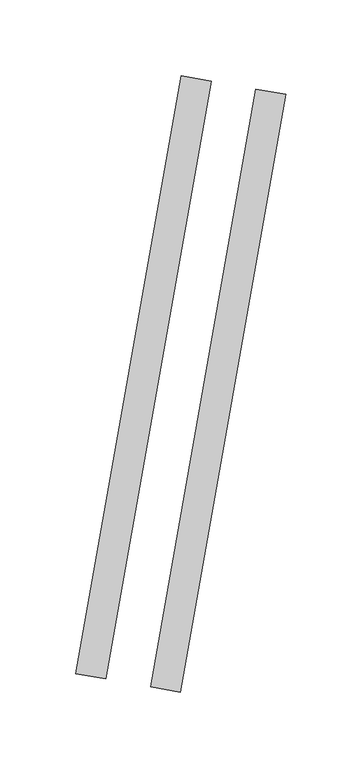
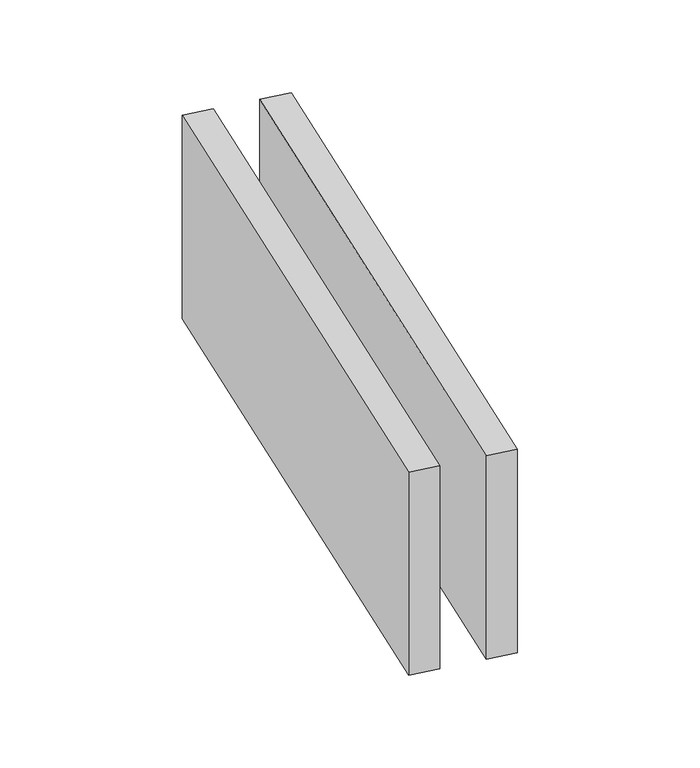
"""IFC4 building model written with IfcOpenShell, lengths in millimetres: proxy geometry."""

from ifc_helpers import new_model, si_unit, origin, origin_with_axes, place, context, project, spatial, polyline, outline, extrude, source, transform, mapped, element, save


def generic_models_a8825e89(model_context):
    return source(origin(), model_context, "Body", "SweptSolid", [
        extrude(outline(polyline([(84.2313874, 391.3183785), (103.9275424, 387.845415), (34.4682714, -6.0776862), (14.7721163, -2.6047227), (84.2313874, 391.3183785)])), origin_with_axes(), (0.0, 0.0, 1.0), 150.0),
        extrude(outline(polyline([(34.9909997, 400.0007874), (54.6871548, 396.5278239), (-14.7721163, 2.6047227), (-34.4682714, 6.0776862), (34.9909997, 400.0007874)])), origin_with_axes(), (0.0, 0.0, 1.0), 150.0),
    ])


if __name__ == "__main__":
    model = new_model("IFC4")
    model_context = context("Model", 3, world=origin())
    ifc_project = project(units=[si_unit("LENGTHUNIT", "METRE", prefix="MILLI")], contexts=[model_context])
    site = spatial("IfcSite", under=ifc_project)
    building = spatial("IfcBuilding", under=site)
    placement = place(None, origin())
    generic_models_shape = generic_models_a8825e89(model_context)
    element("IfcBuildingElementProxy", 1, Name="Generic Models", at=placement, inside=building, context=model_context, shape_type="MappedRepresentation", body=[
        mapped(generic_models_shape, transform((0.0, 0.0, 0.0), x_axis=(1.0, 0.0, 0.0), y_axis=(0.0, 1.0, 0.0), z_axis=(0.0, 0.0, 1.0))),
    ])
    save(model, "model.ifc")
